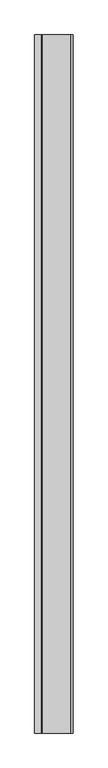
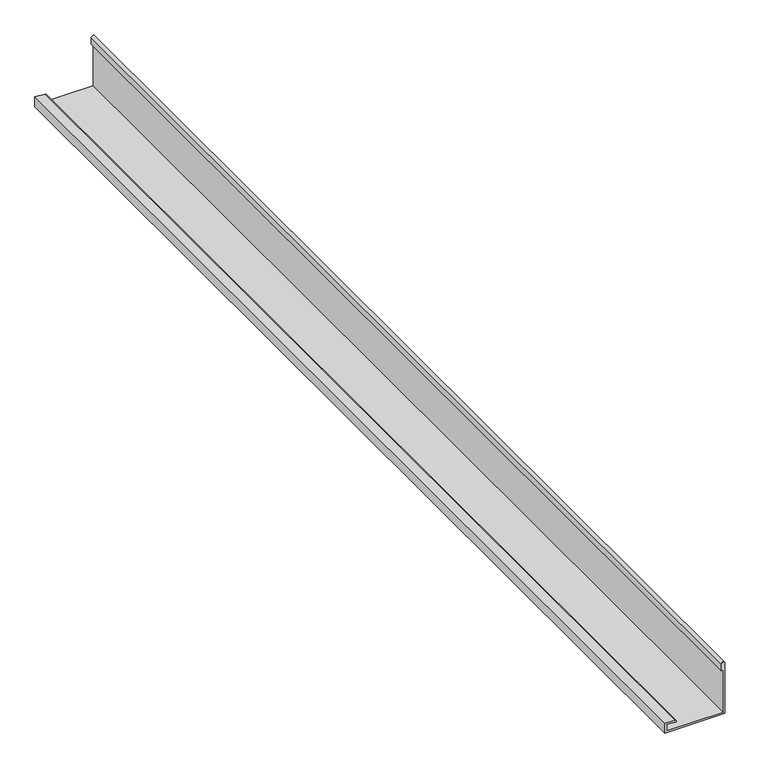
"""IFC4 building model written with IfcOpenShell, lengths in millimetres: proxy geometry."""

from ifc_helpers import new_model, si_unit, point, frame, frame_2d, origin, place, context, project, spatial, polyline, circle_curve, trimmed, segment, composite_curve, outline, extrude, source, transform, mapped, element, save


def generic_models_2eddcce3(model_context):
    return source(origin(), model_context, "Body", "SweptSolid", [
        extrude(outline(composite_curve([segment(polyline([(3799.2452806, -1365.0224589), (3799.2452806, -1195.0224589), (3949.6655464, -1195.0224589)]), True, "CONTINUOUS"), segment(trimmed(circle_curve(frame_2d((3949.6655464, -1200.0224589)), 5.0), [point((3949.6655464, -1195.0224589))], [point((3949.6655464, -1205.0224589))], False, "CARTESIAN"), True, "CONTINUOUS"), segment(polyline([(3949.6655464, -1205.0224589), (3929.6655464, -1205.0224589), (3929.6655464, -1200.0224589), (3804.2452806, -1200.0224589), (3804.2452806, -1360.0224589), (3823.7887381, -1360.0224589), (3821.6496348, -1335.5723966)]), True, "CONTINUOUS"), segment(trimmed(circle_curve(frame_2d((3824.1401216, -1335.3545073)), 2.5), [point((3821.6496348, -1335.5723966))], [point((3826.6306083, -1335.1366179))], False, "CARTESIAN"), True, "CONTINUOUS"), segment(polyline([(3826.6306083, -1335.1366179), (3829.2452806, -1365.0224589), (3799.2452806, -1365.0224589)]), True, "CONTINUOUS")], self_intersect=False)), frame((0.0, -4569.589878, 0.0), z_axis=(0.0, 1.0, 0.0), x_axis=(0.0, 0.0, 1.0)), (0.0, 0.0, 1.0), 3090.0),
    ])


if __name__ == "__main__":
    model = new_model("IFC4")
    model_context = context("Model", 3, world=origin())
    ifc_project = project(units=[si_unit("LENGTHUNIT", "METRE", prefix="MILLI")], contexts=[model_context])
    site = spatial("IfcSite", under=ifc_project)
    building = spatial("IfcBuilding", under=site)
    placement = place(None, origin())
    generic_models_shape = generic_models_2eddcce3(model_context)
    element("IfcBuildingElementProxy", 1, Name="Generic Models", at=placement, inside=building, context=model_context, shape_type="MappedRepresentation", body=[
        mapped(generic_models_shape, transform((0.0, 0.0, 0.0), x_axis=(1.0, 0.0, 0.0), y_axis=(0.0, 1.0, 0.0), z_axis=(0.0, 0.0, 1.0))),
    ])
    save(model, "model.ifc")
